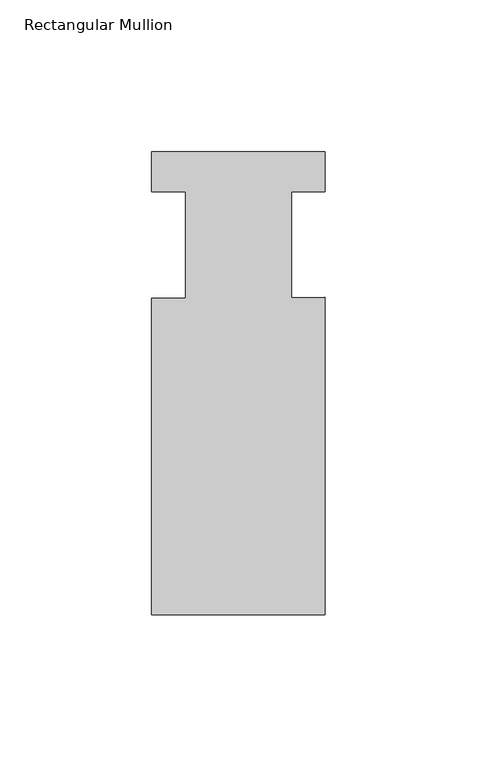
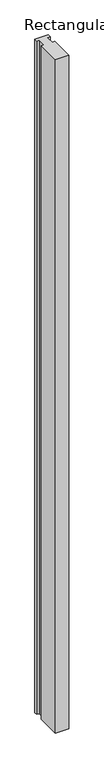
"""IFC4 building model written with IfcOpenShell, lengths in millimetres: member geometry, Rectangular Mullion."""

from ifc_helpers import new_model, si_unit, frame, origin, place, context, project, spatial, polyline, outline, extrude, source, transform, mapped, element, save


def rectangular_mullion_8e88eac4(model_context):
    return source(origin(), model_context, "Body", "SweptSolid", [
        extrude(outline(polyline([(0.0, -76.2), (-57.15, -76.2), (-57.15, 28.0416), (-46.0375, 28.0416), (-46.0375, 63.0047), (-57.15, 63.0047), (-57.15, 76.2), (0.0, 76.2), (0.0, 63.0047), (-11.1125, 63.0047), (-11.1125, 28.1645071), (0.0, 28.2698389), (0.0, -76.2)])), frame((0.0, 0.0, -3048.0), z_axis=(0.0, 0.0, 1.0), x_axis=(1.0, 0.0, 0.0)), (0.0, 0.0, 1.0), 3048.0),
    ])


if __name__ == "__main__":
    model = new_model("IFC4")
    model_context = context("Model", 3, world=origin())
    ifc_project = project(units=[si_unit("LENGTHUNIT", "METRE", prefix="MILLI")], contexts=[model_context])
    site = spatial("IfcSite", under=ifc_project)
    building = spatial("IfcBuilding", under=site)
    placement = place(None, origin())
    rectangular_mullion_shape = rectangular_mullion_8e88eac4(model_context)
    element("IfcMember", 1, ObjectType="Rectangular Mullion", at=placement, inside=building, context=model_context, shape_type="MappedRepresentation", body=[
        mapped(rectangular_mullion_shape, transform((0.0, 0.0, 0.0), x_axis=(1.0, 0.0, 0.0), y_axis=(0.0, 1.0, 0.0), z_axis=(0.0, 0.0, 1.0))),
    ])
    save(model, "model.ifc")
